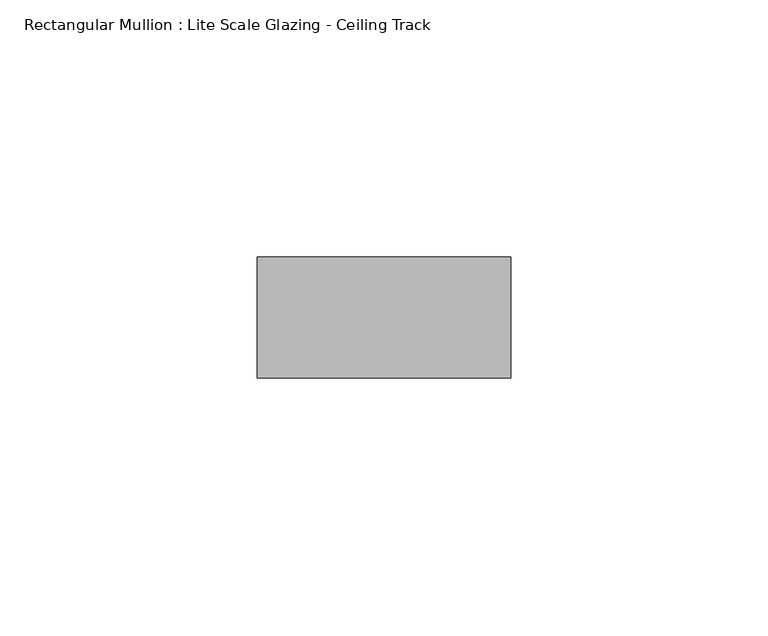
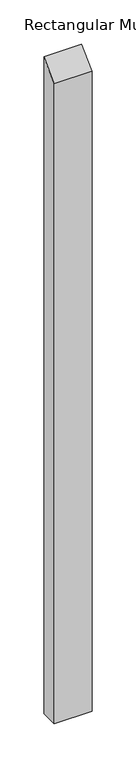
"""IFC4 building model written with IfcOpenShell, lengths in millimetres: member geometry, Rectangular Mullion : Lite Scale Glazing - Ceiling Track."""

from ifc_helpers import new_model, si_unit, frame, origin, place, context, project, spatial, polyline, outline, extrude, source, transform, mapped, element, save


def rectangular_mullion_lite_scale_glazing_ceiling_track_6f5f9f29(model_context):
    return source(origin(), model_context, "Body", "SweptSolid", [
        extrude(outline(polyline([(-11.7474999, -11.7474999), (11.7474999, 11.7474999), (11.7474999, -897.4090346), (-11.7474999, -897.4090346), (-11.7474999, -11.7474999)])), frame((-49.276, 0.0, 0.0), z_axis=(1.0, 0.0, 0.0), x_axis=(0.0, 1.0, 0.0)), (0.0, 0.0, 1.0), 49.276),
    ])


if __name__ == "__main__":
    model = new_model("IFC4")
    model_context = context("Model", 3, world=origin())
    ifc_project = project(units=[si_unit("LENGTHUNIT", "METRE", prefix="MILLI")], contexts=[model_context])
    site = spatial("IfcSite", under=ifc_project)
    building = spatial("IfcBuilding", under=site)
    placement = place(None, origin())
    rectangular_mullion_lite_scale_glazing_ceiling_track_shape = rectangular_mullion_lite_scale_glazing_ceiling_track_6f5f9f29(model_context)
    element("IfcMember", 1, ObjectType="Rectangular Mullion : Lite Scale Glazing - Ceiling Track", at=placement, inside=building, context=model_context, shape_type="MappedRepresentation", body=[
        mapped(rectangular_mullion_lite_scale_glazing_ceiling_track_shape, transform((0.0, 0.0, 0.0), x_axis=(1.0, 0.0, 0.0), y_axis=(0.0, 1.0, 0.0), z_axis=(0.0, 0.0, 1.0))),
    ])
    save(model, "model.ifc")
